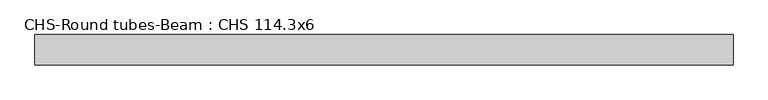
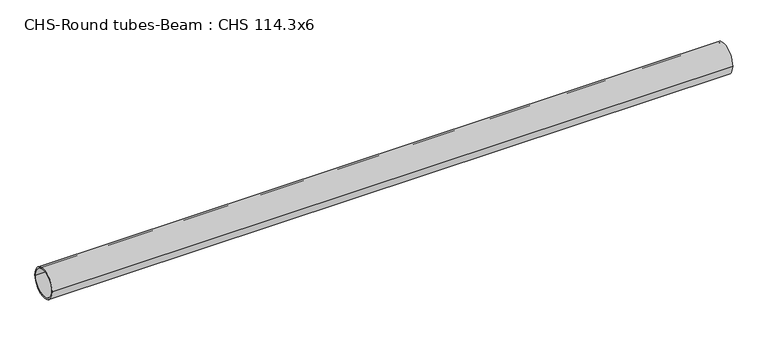
"""IFC4 building model written with IfcOpenShell, lengths in millimetres: beam geometry, CHS-Round tubes-Beam : CHS 114.3x6."""

from ifc_helpers import new_model, si_unit, point, frame, origin, origin_2d, place, context, project, spatial, circle_curve, trimmed, segment, composite_curve, outline, extrude, source, transform, mapped, element, save


def chs_round_tubes_beam_chs_114_3x6_75342fdc(model_context):
    return source(origin(), model_context, "Body", "SweptSolid", [
        extrude(outline(composite_curve([segment(trimmed(circle_curve(origin_2d(), 57.15), [point((57.15, 0.0))], [point((-57.15, 0.0))], False, "CARTESIAN"), True, "CONTINUOUS"), segment(trimmed(circle_curve(origin_2d(), 57.15), [point((-57.15, 0.0))], [point((57.15, 0.0))], False, "CARTESIAN"), True, "CONTINUOUS")], self_intersect=False), holes=[composite_curve([segment(trimmed(circle_curve(origin_2d(), 51.15), [point((51.15, 0.0))], [point((-51.15, 0.0))], True, "CARTESIAN"), True, "CONTINUOUS"), segment(trimmed(circle_curve(origin_2d(), 51.15), [point((-51.15, 0.0))], [point((51.15, 0.0))], True, "CARTESIAN"), True, "CONTINUOUS")], self_intersect=False)]), frame((-1270.0165905, 0.0, 0.0), z_axis=(1.0, 0.0, 0.0), x_axis=(0.0, 1.0, 0.0)), (0.0, 0.0, 1.0), 2609.9357459),
    ])


if __name__ == "__main__":
    model = new_model("IFC4")
    model_context = context("Model", 3, world=origin())
    ifc_project = project(units=[si_unit("LENGTHUNIT", "METRE", prefix="MILLI")], contexts=[model_context])
    site = spatial("IfcSite", under=ifc_project)
    building = spatial("IfcBuilding", under=site)
    placement = place(None, origin())
    chs_round_tubes_beam_chs_114_3x6_shape = chs_round_tubes_beam_chs_114_3x6_75342fdc(model_context)
    element("IfcBeam", 1, ObjectType="CHS-Round tubes-Beam : CHS 114.3x6", at=placement, inside=building, context=model_context, shape_type="MappedRepresentation", body=[
        mapped(chs_round_tubes_beam_chs_114_3x6_shape, transform((0.0, 0.0, 0.0), x_axis=(1.0, 0.0, 0.0), y_axis=(0.0, 1.0, 0.0), z_axis=(0.0, 0.0, 1.0))),
    ])
    save(model, "model.ifc")
